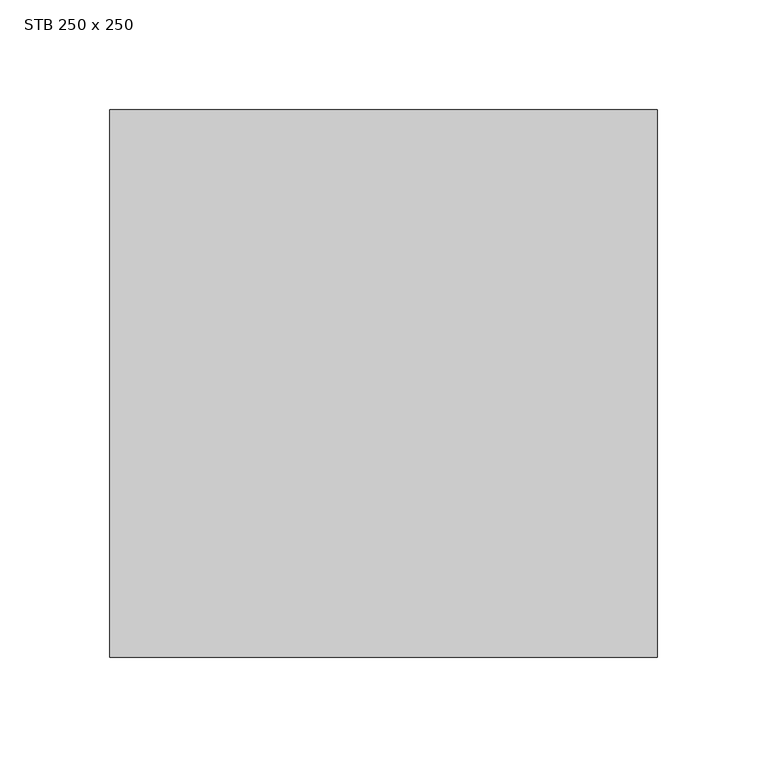
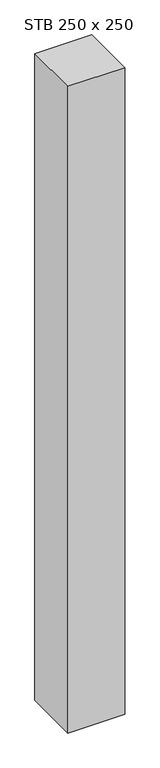
"""IFC4 building model written with IfcOpenShell, lengths in millimetres: column geometry, STB 250 x 250."""

import ifcopenshell
import ifcopenshell.guid

model = None  # the IFC model being written
_history = None  # IfcOwnerHistory: only IFC2X3 demands one
_inside = {}  # id of a spatial element -> (the spatial element, [elements in it])
_under = {}  # id of a project, library or spatial element -> (it, [spatial elements below it])
_declared = {}  # id of a project -> (the project, [libraries it declares])
_typed = {}  # id of a type object -> (the type object, [elements of that type])
_made_of = {}  # id of a material, layer set ... -> (it, [elements and type objects made of it])


def new_model(schema):
    """Start an empty IFC model of exactly this schema.

    Asked for "IFC4X3", IfcOpenShell would pick the latest addendum, in which some entities
    have other attributes; the version numbers below select the first issue.
    IFC2X3 requires an IfcOwnerHistory on every rooted entity: one is made here for all.
    """
    global model, _history
    if schema == "IFC4X3":
        model = ifcopenshell.file(schema_version=(4, 3, 0, 0))
    else:
        model = ifcopenshell.file(schema=schema)
    _inside.clear()
    _under.clear()
    _declared.clear()
    _typed.clear()
    _made_of.clear()
    _history = None
    if model.schema == "IFC2X3":
        org = make("IfcOrganization", Name="unknown")
        user = make(
            "IfcPersonAndOrganization",
            ThePerson=make("IfcPerson", FamilyName="unknown"),
            TheOrganization=org,
        )
        app = make(
            "IfcApplication",
            ApplicationDeveloper=org,
            Version="unknown",
            ApplicationFullName="unknown",
            ApplicationIdentifier="unknown",
        )
        _history = make(
            "IfcOwnerHistory",
            OwningUser=user,
            OwningApplication=app,
            ChangeAction="ADDED",
            CreationDate=0,
        )
    return model


def make(cls, **values):
    """One entity of the class cls with the attributes given. An attribute that is None is left unset."""
    return model.create_entity(
        cls, **{name: value for name, value in values.items() if value is not None}
    )


def rooted(cls, **values):
    """An entity with a GlobalId (a new one), such as an element, a storey or a relation."""
    return make(cls, GlobalId=ifcopenshell.guid.new(), OwnerHistory=_history, **values)


def si_unit(unit_type, name, prefix=None):
    """IfcSIUnit, for example si_unit("LENGTHUNIT", "METRE", prefix="MILLI")."""
    return make("IfcSIUnit", UnitType=unit_type, Prefix=prefix, Name=name)


def assignment(units):
    """IfcUnitAssignment: the units of a project."""
    return None if units is None else make("IfcUnitAssignment", Units=units)


def point(xyz):
    """IfcCartesianPoint."""
    return None if xyz is None else make("IfcCartesianPoint", Coordinates=xyz)


def direction(xyz):
    """IfcDirection."""
    return None if xyz is None else make("IfcDirection", DirectionRatios=xyz)


def frame(location, z_axis=None, x_axis=None):
    """IfcAxis2Placement3D, a coordinate frame: its origin and axes. An axis left out is left unset."""
    return make(
        "IfcAxis2Placement3D",
        Location=point(location),
        Axis=direction(z_axis),
        RefDirection=direction(x_axis),
    )


def origin():
    """The frame at (0, 0, 0) with its axes left unset."""
    return frame((0.0, 0.0, 0.0))


def origin_with_axes():
    """The frame at (0, 0, 0) with the z axis (0, 0, 1) and the x axis (1, 0, 0) written out."""
    return frame((0.0, 0.0, 0.0), z_axis=(0.0, 0.0, 1.0), x_axis=(1.0, 0.0, 0.0))


def place(relative_to, where):
    """IfcLocalPlacement: puts the frame where relative to a parent placement (None: the world)."""
    return make(
        "IfcLocalPlacement", PlacementRelTo=relative_to, RelativePlacement=where
    )


def context(
    kind, dimensions, precision=None, world=None, true_north=None, identifier=None
):
    """IfcGeometricRepresentationContext, for example the 3D "Model" context."""
    return make(
        "IfcGeometricRepresentationContext",
        ContextIdentifier=identifier,
        ContextType=kind,
        CoordinateSpaceDimension=dimensions,
        Precision=precision,
        WorldCoordinateSystem=world,
        TrueNorth=true_north,
    )


def project(units=None, contexts=None):
    """IfcProject with its units and contexts."""
    return rooted(
        "IfcProject",
        Name="project",
        RepresentationContexts=contexts,
        UnitsInContext=assignment(units),
    )


def spatial(cls, under=None, at=None, **own):
    """A site, building, storey or space (cls), placed at a placement, below another one or the project."""
    s = rooted(cls, ObjectPlacement=at, **own)
    if under is not None:
        _under.setdefault(under.id(), (under, []))[1].append(s)
    return s


def polyline(points):
    """IfcPolyline through the points."""
    return make("IfcPolyline", Points=[point(p) for p in points])


def outline(outer, holes=None, kind="AREA"):
    """IfcArbitraryClosedProfileDef: a profile drawn as a closed curve; with holes, ...WithVoids."""
    if holes is None:
        return make("IfcArbitraryClosedProfileDef", ProfileType=kind, OuterCurve=outer)
    return make(
        "IfcArbitraryProfileDefWithVoids",
        ProfileType=kind,
        OuterCurve=outer,
        InnerCurves=holes,
    )


def extrude(swept, where, along, depth):
    """IfcExtrudedAreaSolid: the profile swept, set in the frame where, extruded along a direction by depth."""
    return make(
        "IfcExtrudedAreaSolid",
        SweptArea=swept,
        Position=where,
        ExtrudedDirection=direction(along),
        Depth=depth,
    )


def shape(context_of_items, identifier, shape_type, items):
    """IfcShapeRepresentation: the items that make up one representation, for example the "Body"."""
    return make(
        "IfcShapeRepresentation",
        ContextOfItems=context_of_items,
        RepresentationIdentifier=identifier,
        RepresentationType=shape_type,
        Items=items,
    )


def source(mapping_origin, context_of_items, identifier, shape_type, items):
    """IfcRepresentationMap: a shape defined once, which mapped items show again and again."""
    return make(
        "IfcRepresentationMap",
        MappingOrigin=mapping_origin,
        MappedRepresentation=shape(context_of_items, identifier, shape_type, items),
    )


def transform(
    local_origin,
    x_axis=None,
    y_axis=None,
    z_axis=None,
    scale=None,
    scale2=None,
    scale3=None,
    uniform=True,
):
    """IfcCartesianTransformationOperator3D, or its non-uniform kind. x_axis, y_axis, z_axis: its Axis1, 2, 3."""
    if uniform:
        return make(
            "IfcCartesianTransformationOperator3D",
            Axis1=direction(x_axis),
            Axis2=direction(y_axis),
            LocalOrigin=point(local_origin),
            Scale=scale,
            Axis3=direction(z_axis),
        )
    return make(
        "IfcCartesianTransformationOperator3DnonUniform",
        Axis1=direction(x_axis),
        Axis2=direction(y_axis),
        LocalOrigin=point(local_origin),
        Scale=scale,
        Axis3=direction(z_axis),
        Scale2=scale2,
        Scale3=scale3,
    )


def mapped(mapping_source, mapping_target):
    """IfcMappedItem: shows the shape of a source again, moved by a transform."""
    return make(
        "IfcMappedItem", MappingSource=mapping_source, MappingTarget=mapping_target
    )


def made_of(thing, what):
    """Note that an element or type object is made of a material, layer set ...; save() writes the relation."""
    if what is not None:
        _made_of.setdefault(what.id(), (what, []))[1].append(thing)
    return thing


def element(
    cls,
    number,
    at=None,
    inside=None,
    cuts=None,
    type_object=None,
    material=None,
    context=None,
    identifier="Body",
    shape_type=None,
    held_by="IfcProductDefinitionShape",
    body=None,
    shapes=None,
    **own,
):
    """One element of the class cls, such as IfcWall. Its Tag is "e" and its number.

    at: its placement. inside: the storey or other place that contains it. cuts: it is an
    opening in that element (IfcRelVoidsElement). A single representation is given by context,
    identifier, shape_type and body (its items); several are given by shapes. held_by: the class
    of the entity that holds the representations. save() writes the other relations.
    """
    e = rooted(cls, Tag="e%d" % number, ObjectPlacement=at, **own)
    if body is not None:
        shapes = [shape(context, identifier, shape_type, body)]
    if shapes is not None:
        e.Representation = make(held_by, Representations=shapes)
    if inside is not None:
        _inside.setdefault(inside.id(), (inside, []))[1].append(e)
    if cuts is not None:
        rooted(
            "IfcRelVoidsElement", RelatingBuildingElement=cuts, RelatedOpeningElement=e
        )
    if type_object is not None:
        _typed.setdefault(type_object.id(), (type_object, []))[1].append(e)
    return made_of(e, material)


def aggregate(whole, parts):
    """IfcRelAggregates: a whole, such as a stair, and the parts it consists of."""
    return rooted("IfcRelAggregates", RelatingObject=whole, RelatedObjects=parts)


def save(model, path):
    """Write the relations noted so far, then the file.

    IfcRelAggregates (storeys below a building ...), IfcRelContainedInSpatialStructure (elements
    in a storey), IfcRelDefinesByType, IfcRelAssociatesMaterial and IfcRelDeclares: one each for
    every whole, place, type object, material and project.
    """
    for whole, parts in _under.values():
        aggregate(whole, parts)
    for where, things in _inside.values():
        rooted(
            "IfcRelContainedInSpatialStructure",
            RelatedElements=things,
            RelatingStructure=where,
        )
    for kind, things in _typed.values():
        rooted("IfcRelDefinesByType", RelatedObjects=things, RelatingType=kind)
    for what, things in _made_of.values():
        rooted("IfcRelAssociatesMaterial", RelatedObjects=things, RelatingMaterial=what)
    for by, libraries in _declared.values():
        rooted("IfcRelDeclares", RelatingContext=by, RelatedDefinitions=libraries)
    model.write(path)


def stb_250_x_250_9e3f2c1a(model_context):
    return source(origin(), model_context, "Body", "SweptSolid", [
        extrude(outline(polyline([(125.0, 125.0), (125.0, -125.0), (-125.0, -125.0), (-125.0, 125.0), (125.0, 125.0)])), origin_with_axes(), (0.0, 0.0, 1.0), 3000.0),
    ])


if __name__ == "__main__":
    model = new_model("IFC4")
    model_context = context("Model", 3, world=origin())
    ifc_project = project(units=[si_unit("LENGTHUNIT", "METRE", prefix="MILLI")], contexts=[model_context])
    site = spatial("IfcSite", under=ifc_project)
    building = spatial("IfcBuilding", under=site)
    placement = place(None, origin())
    stb_250_x_250_shape = stb_250_x_250_9e3f2c1a(model_context)
    element("IfcColumn", 1, ObjectType="STB 250 x 250", at=placement, inside=building, context=model_context, shape_type="MappedRepresentation", body=[
        mapped(stb_250_x_250_shape, transform((0.0, 0.0, 0.0), x_axis=(1.0, 0.0, 0.0), y_axis=(0.0, 1.0, 0.0), z_axis=(0.0, 0.0, 1.0))),
    ])
    save(model, "model.ifc")
